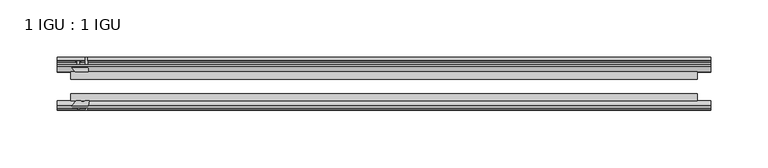
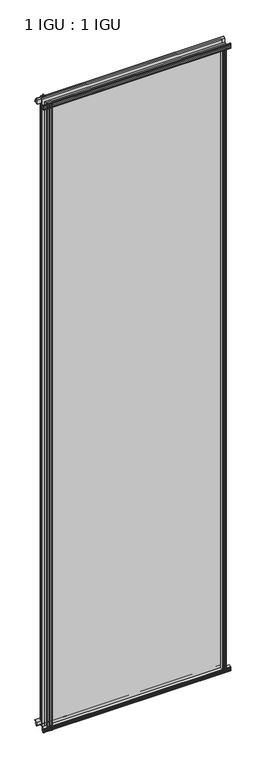
"""IFC4 building model written with IfcOpenShell, lengths in millimetres: plate geometry, 1 IGU : 1 IGU."""

import ifcopenshell
import ifcopenshell.guid

model = None  # the IFC model being written
_history = None  # IfcOwnerHistory: only IFC2X3 demands one
_inside = {}  # id of a spatial element -> (the spatial element, [elements in it])
_under = {}  # id of a project, library or spatial element -> (it, [spatial elements below it])
_declared = {}  # id of a project -> (the project, [libraries it declares])
_typed = {}  # id of a type object -> (the type object, [elements of that type])
_made_of = {}  # id of a material, layer set ... -> (it, [elements and type objects made of it])


def new_model(schema):
    """Start an empty IFC model of exactly this schema.

    Asked for "IFC4X3", IfcOpenShell would pick the latest addendum, in which some entities
    have other attributes; the version numbers below select the first issue.
    IFC2X3 requires an IfcOwnerHistory on every rooted entity: one is made here for all.
    """
    global model, _history
    if schema == "IFC4X3":
        model = ifcopenshell.file(schema_version=(4, 3, 0, 0))
    else:
        model = ifcopenshell.file(schema=schema)
    _inside.clear()
    _under.clear()
    _declared.clear()
    _typed.clear()
    _made_of.clear()
    _history = None
    if model.schema == "IFC2X3":
        org = make("IfcOrganization", Name="unknown")
        user = make(
            "IfcPersonAndOrganization",
            ThePerson=make("IfcPerson", FamilyName="unknown"),
            TheOrganization=org,
        )
        app = make(
            "IfcApplication",
            ApplicationDeveloper=org,
            Version="unknown",
            ApplicationFullName="unknown",
            ApplicationIdentifier="unknown",
        )
        _history = make(
            "IfcOwnerHistory",
            OwningUser=user,
            OwningApplication=app,
            ChangeAction="ADDED",
            CreationDate=0,
        )
    return model


def make(cls, **values):
    """One entity of the class cls with the attributes given. An attribute that is None is left unset."""
    return model.create_entity(
        cls, **{name: value for name, value in values.items() if value is not None}
    )


def rooted(cls, **values):
    """An entity with a GlobalId (a new one), such as an element, a storey or a relation."""
    return make(cls, GlobalId=ifcopenshell.guid.new(), OwnerHistory=_history, **values)


def si_unit(unit_type, name, prefix=None):
    """IfcSIUnit, for example si_unit("LENGTHUNIT", "METRE", prefix="MILLI")."""
    return make("IfcSIUnit", UnitType=unit_type, Prefix=prefix, Name=name)


def assignment(units):
    """IfcUnitAssignment: the units of a project."""
    return None if units is None else make("IfcUnitAssignment", Units=units)


def point(xyz):
    """IfcCartesianPoint."""
    return None if xyz is None else make("IfcCartesianPoint", Coordinates=xyz)


def direction(xyz):
    """IfcDirection."""
    return None if xyz is None else make("IfcDirection", DirectionRatios=xyz)


def frame(location, z_axis=None, x_axis=None):
    """IfcAxis2Placement3D, a coordinate frame: its origin and axes. An axis left out is left unset."""
    return make(
        "IfcAxis2Placement3D",
        Location=point(location),
        Axis=direction(z_axis),
        RefDirection=direction(x_axis),
    )


def frame_2d(location, x_axis=None):
    """IfcAxis2Placement2D, a coordinate frame in the plane: its origin and x axis."""
    return make(
        "IfcAxis2Placement2D", Location=point(location), RefDirection=direction(x_axis)
    )


def origin():
    """The frame at (0, 0, 0) with its axes left unset."""
    return frame((0.0, 0.0, 0.0))


def origin_with_axes():
    """The frame at (0, 0, 0) with the z axis (0, 0, 1) and the x axis (1, 0, 0) written out."""
    return frame((0.0, 0.0, 0.0), z_axis=(0.0, 0.0, 1.0), x_axis=(1.0, 0.0, 0.0))


def place(relative_to, where):
    """IfcLocalPlacement: puts the frame where relative to a parent placement (None: the world)."""
    return make(
        "IfcLocalPlacement", PlacementRelTo=relative_to, RelativePlacement=where
    )


def context(
    kind, dimensions, precision=None, world=None, true_north=None, identifier=None
):
    """IfcGeometricRepresentationContext, for example the 3D "Model" context."""
    return make(
        "IfcGeometricRepresentationContext",
        ContextIdentifier=identifier,
        ContextType=kind,
        CoordinateSpaceDimension=dimensions,
        Precision=precision,
        WorldCoordinateSystem=world,
        TrueNorth=true_north,
    )


def project(units=None, contexts=None):
    """IfcProject with its units and contexts."""
    return rooted(
        "IfcProject",
        Name="project",
        RepresentationContexts=contexts,
        UnitsInContext=assignment(units),
    )


def spatial(cls, under=None, at=None, **own):
    """A site, building, storey or space (cls), placed at a placement, below another one or the project."""
    s = rooted(cls, ObjectPlacement=at, **own)
    if under is not None:
        _under.setdefault(under.id(), (under, []))[1].append(s)
    return s


def polyline(points):
    """IfcPolyline through the points."""
    return make("IfcPolyline", Points=[point(p) for p in points])


def circle_curve(where, radius):
    """IfcCircle in the frame where."""
    return make("IfcCircle", Position=where, Radius=radius)


def trimmed(basis, trim1, trim2, sense, master):
    """IfcTrimmedCurve: the piece of a basis curve between two trims."""
    return make(
        "IfcTrimmedCurve",
        BasisCurve=basis,
        Trim1=trim1,
        Trim2=trim2,
        SenseAgreement=sense,
        MasterRepresentation=master,
    )


def segment(curve, same_sense, transition):
    """IfcCompositeCurveSegment."""
    return make(
        "IfcCompositeCurveSegment",
        Transition=transition,
        SameSense=same_sense,
        ParentCurve=curve,
    )


def composite_curve(segments, self_intersect=None):
    """IfcCompositeCurve: segments joined end to end."""
    return make("IfcCompositeCurve", Segments=segments, SelfIntersect=self_intersect)


def outline(outer, holes=None, kind="AREA"):
    """IfcArbitraryClosedProfileDef: a profile drawn as a closed curve; with holes, ...WithVoids."""
    if holes is None:
        return make("IfcArbitraryClosedProfileDef", ProfileType=kind, OuterCurve=outer)
    return make(
        "IfcArbitraryProfileDefWithVoids",
        ProfileType=kind,
        OuterCurve=outer,
        InnerCurves=holes,
    )


def extrude(swept, where, along, depth):
    """IfcExtrudedAreaSolid: the profile swept, set in the frame where, extruded along a direction by depth."""
    return make(
        "IfcExtrudedAreaSolid",
        SweptArea=swept,
        Position=where,
        ExtrudedDirection=direction(along),
        Depth=depth,
    )


def shape(context_of_items, identifier, shape_type, items):
    """IfcShapeRepresentation: the items that make up one representation, for example the "Body"."""
    return make(
        "IfcShapeRepresentation",
        ContextOfItems=context_of_items,
        RepresentationIdentifier=identifier,
        RepresentationType=shape_type,
        Items=items,
    )


def source(mapping_origin, context_of_items, identifier, shape_type, items):
    """IfcRepresentationMap: a shape defined once, which mapped items show again and again."""
    return make(
        "IfcRepresentationMap",
        MappingOrigin=mapping_origin,
        MappedRepresentation=shape(context_of_items, identifier, shape_type, items),
    )


def transform(
    local_origin,
    x_axis=None,
    y_axis=None,
    z_axis=None,
    scale=None,
    scale2=None,
    scale3=None,
    uniform=True,
):
    """IfcCartesianTransformationOperator3D, or its non-uniform kind. x_axis, y_axis, z_axis: its Axis1, 2, 3."""
    if uniform:
        return make(
            "IfcCartesianTransformationOperator3D",
            Axis1=direction(x_axis),
            Axis2=direction(y_axis),
            LocalOrigin=point(local_origin),
            Scale=scale,
            Axis3=direction(z_axis),
        )
    return make(
        "IfcCartesianTransformationOperator3DnonUniform",
        Axis1=direction(x_axis),
        Axis2=direction(y_axis),
        LocalOrigin=point(local_origin),
        Scale=scale,
        Axis3=direction(z_axis),
        Scale2=scale2,
        Scale3=scale3,
    )


def mapped(mapping_source, mapping_target):
    """IfcMappedItem: shows the shape of a source again, moved by a transform."""
    return make(
        "IfcMappedItem", MappingSource=mapping_source, MappingTarget=mapping_target
    )


def made_of(thing, what):
    """Note that an element or type object is made of a material, layer set ...; save() writes the relation."""
    if what is not None:
        _made_of.setdefault(what.id(), (what, []))[1].append(thing)
    return thing


def element(
    cls,
    number,
    at=None,
    inside=None,
    cuts=None,
    type_object=None,
    material=None,
    context=None,
    identifier="Body",
    shape_type=None,
    held_by="IfcProductDefinitionShape",
    body=None,
    shapes=None,
    **own,
):
    """One element of the class cls, such as IfcWall. Its Tag is "e" and its number.

    at: its placement. inside: the storey or other place that contains it. cuts: it is an
    opening in that element (IfcRelVoidsElement). A single representation is given by context,
    identifier, shape_type and body (its items); several are given by shapes. held_by: the class
    of the entity that holds the representations. save() writes the other relations.
    """
    e = rooted(cls, Tag="e%d" % number, ObjectPlacement=at, **own)
    if body is not None:
        shapes = [shape(context, identifier, shape_type, body)]
    if shapes is not None:
        e.Representation = make(held_by, Representations=shapes)
    if inside is not None:
        _inside.setdefault(inside.id(), (inside, []))[1].append(e)
    if cuts is not None:
        rooted(
            "IfcRelVoidsElement", RelatingBuildingElement=cuts, RelatedOpeningElement=e
        )
    if type_object is not None:
        _typed.setdefault(type_object.id(), (type_object, []))[1].append(e)
    return made_of(e, material)


def aggregate(whole, parts):
    """IfcRelAggregates: a whole, such as a stair, and the parts it consists of."""
    return rooted("IfcRelAggregates", RelatingObject=whole, RelatedObjects=parts)


def save(model, path):
    """Write the relations noted so far, then the file.

    IfcRelAggregates (storeys below a building ...), IfcRelContainedInSpatialStructure (elements
    in a storey), IfcRelDefinesByType, IfcRelAssociatesMaterial and IfcRelDeclares: one each for
    every whole, place, type object, material and project.
    """
    for whole, parts in _under.values():
        aggregate(whole, parts)
    for where, things in _inside.values():
        rooted(
            "IfcRelContainedInSpatialStructure",
            RelatedElements=things,
            RelatingStructure=where,
        )
    for kind, things in _typed.values():
        rooted("IfcRelDefinesByType", RelatedObjects=things, RelatingType=kind)
    for what, things in _made_of.values():
        rooted("IfcRelAssociatesMaterial", RelatedObjects=things, RelatingMaterial=what)
    for by, libraries in _declared.values():
        rooted("IfcRelDeclares", RelatingContext=by, RelatedDefinitions=libraries)
    model.write(path)


def plate_1_igu_1_igu_689b3fed(model_context):
    return source(origin(), model_context, "Body", "SweptSolid", [
        extrude(outline(polyline([(-24.9039062, 2.5763839), (-12.2039062, 1.5739665), (-12.2039062, 0.0), (-18.5539062, 0.0), (-18.5539062, -4.953), (-16.254502, -5.5691235), (-16.6301757, -4.1670901), (-15.7714677, -3.937), (-15.1249062, -6.35), (-15.7714677, -8.763), (-16.6301757, -8.5329099), (-16.254502, -7.1308765), (-18.5539062, -7.747), (-18.5539062, -12.7), (-20.5859062, -12.7), (-24.9039062, -9.1036931), (-24.9039062, 2.5763839)])), frame((-284.2256877, 0.0, 0.0), z_axis=(1.0, 0.0, 0.0), x_axis=(0.0, 1.0, 0.0)), (0.0, 0.0, 1.0), 570.1380942),
        extrude(outline(composite_curve([segment(polyline([(-58.2287402, 1.5687054), (-50.3039062, 3.0983599), (-50.3039062, -7.92383), (-54.4858806, -12.1058044)]), True, "CONTINUOUS"), segment(trimmed(circle_curve(frame_2d((-55.3839062, -11.2077788)), 1.27), [point((-54.4858806, -12.1058044))], [point((-56.6539062, -11.2077788))], False, "CARTESIAN"), True, "CONTINUOUS"), segment(polyline([(-56.6539062, -11.2077788), (-56.6539062, -8.0327788), (-58.1332022, -5.4488186), (-56.6539062, -5.1879788), (-56.6539062, 0.2222212), (-58.2287402, 0.0), (-58.2287402, 1.5687054)]), True, "CONTINUOUS")], self_intersect=False)), frame((-284.2256877, 0.0, 0.0), z_axis=(1.0, 0.0, 0.0), x_axis=(0.0, 1.0, 0.0)), (0.0, 0.0, 1.0), 570.1380942),
        extrude(outline(polyline([(-18.5539063, 2001.656525), (-16.254502, 2001.0404015), (-16.6301757, 2002.4424349), (-15.7714677, 2002.672525), (-15.1249063, 2000.259525), (-15.7714677, 1997.846525), (-16.6301757, 1998.0766151), (-16.254502, 1999.4786485), (-18.5539063, 1998.862525), (-18.5539063, 1993.909525), (-12.2039062, 1993.909525), (-12.2039062, 1992.3355585), (-24.9039063, 1991.3331411), (-24.9039063, 2003.0132181), (-20.5859063, 2006.609525), (-18.5539063, 2006.609525), (-18.5539063, 2001.656525)])), frame((-284.2256877, 0.0, 0.0), z_axis=(1.0, 0.0, 0.0), x_axis=(0.0, 1.0, 0.0)), (0.0, 0.0, 1.0), 570.1380942),
        extrude(outline(composite_curve([segment(polyline([(-50.3039063, 2001.833355), (-50.3039063, 1990.8111651), (-58.2287402, 1992.3408196), (-58.2287402, 1993.909525), (-56.6539063, 1993.6873038), (-56.6539063, 1999.0975038), (-58.1332023, 1999.3583436), (-56.6539063, 2001.9423038), (-56.6539063, 2005.1173038)]), True, "CONTINUOUS"), segment(trimmed(circle_curve(frame_2d((-55.3839063, 2005.1173038)), 1.27), [point((-56.6539063, 2005.1173038))], [point((-54.4858806, 2006.0153294))], False, "CARTESIAN"), True, "CONTINUOUS"), segment(polyline([(-54.4858806, 2006.0153294), (-50.3039063, 2001.833355)]), True, "CONTINUOUS")], self_intersect=False)), frame((-284.2256877, 0.0, 0.0), z_axis=(1.0, 0.0, 0.0), x_axis=(0.0, 1.0, 0.0)), (0.0, 0.0, 1.0), 570.1380942),
        extrude(outline(composite_curve([segment(polyline([(259.6195625, -57.3876965), (258.2522465, -50.3039063), (269.2744365, -50.3039063), (273.4564109, -54.4858806)]), True, "CONTINUOUS"), segment(trimmed(circle_curve(frame_2d((272.5583853, -55.3839062)), 1.27), [point((273.4564109, -54.4858806))], [point((272.5583853, -56.6539062))], False, "CARTESIAN"), True, "CONTINUOUS"), segment(polyline([(272.5583853, -56.6539062), (269.3833853, -56.6539063), (266.7994251, -58.1332023), (266.5385853, -56.6539063), (261.1283853, -56.6539063), (261.3506065, -58.2287402), (260.3862857, -58.2014026)]), True, "CONTINUOUS"), segment(trimmed(circle_curve(frame_2d((260.6203853, -57.2127402)), 1.016), [point((260.3862857, -58.2014026))], [point((259.6195625, -57.3876965))], False, "CARTESIAN"), True, "CONTINUOUS")], self_intersect=False)), origin_with_axes(), (0.0, 0.0, 1.0), 1994.3064),
        extrude(outline(polyline([(266.3036065, -18.5539062), (266.91973, -16.254502), (265.5176966, -16.6301757), (265.2876065, -15.7714677), (267.7006065, -15.1249062), (270.1136065, -15.7714677), (269.8835163, -16.6301757), (268.481483, -16.254502), (269.0976065, -18.5539062), (274.0506065, -18.5539063), (274.0506065, -20.5859063), (270.4542996, -24.9039063), (258.7742225, -24.9039063), (259.7766399, -12.2039062), (261.3506065, -12.2039062), (261.3506065, -18.5539062), (266.3036065, -18.5539062)])), origin_with_axes(), (0.0, 0.0, 1.0), 1994.3064),
        extrude(outline(composite_curve([segment(polyline([(-267.6966665, -56.6539062), (-270.8716665, -56.6539062)]), True, "CONTINUOUS"), segment(trimmed(circle_curve(frame_2d((-270.8716665, -55.3839062)), 1.27), [point((-270.8716665, -56.6539062))], [point((-271.7696921, -54.4858806))], False, "CARTESIAN"), True, "CONTINUOUS"), segment(polyline([(-271.7696921, -54.4858806), (-267.5877177, -50.3039062), (-263.9181723, -50.3039062)]), True, "CONTINUOUS"), segment(trimmed(circle_curve(frame_2d((-261.8546665, -46.3669062)), 4.445), [point((-263.9181723, -50.3039062))], [point((-259.7911608, -50.3039062))], True, "CARTESIAN"), True, "CONTINUOUS"), segment(polyline([(-259.7911608, -50.3039062), (-256.5655278, -50.3039062), (-258.0951823, -58.2287402), (-259.6638877, -58.2287402), (-259.4416665, -56.6539062), (-264.8518665, -56.6539062), (-265.1127063, -58.1332022), (-267.6966665, -56.6539062)]), True, "CONTINUOUS")], self_intersect=False)), frame((0.0, 0.0, -12.7), z_axis=(0.0, 0.0, 1.0), x_axis=(1.0, 0.0, 0.0)), (0.0, 0.0, 1.0), 2019.309525),
        extrude(outline(polyline([(-257.0875038, -24.9039062), (-268.7675808, -24.9039062), (-272.3638877, -20.5859062), (-272.3638877, -18.5539062), (-267.4108877, -18.5539062), (-266.7947642, -16.254502), (-268.1967976, -16.6301757), (-268.4268877, -15.7714677), (-266.0138877, -15.1249062), (-263.6008877, -15.7714677), (-263.8309778, -16.6301757), (-265.2330112, -16.254502), (-264.6168877, -18.5539062), (-259.6638877, -18.5539062), (-259.6638877, -12.2039062), (-258.0899212, -12.2039062), (-257.0875038, -24.9039062)])), frame((0.0, 0.0, -12.7), z_axis=(0.0, 0.0, 1.0), x_axis=(1.0, 0.0, 0.0)), (0.0, 0.0, 1.0), 2019.309525),
        extrude(outline(polyline([(274.0506065, -24.9039062), (274.0506065, -31.2031063), (-272.3638877, -31.2031063), (-272.3638877, -24.9039062), (274.0506065, -24.9039062)])), frame((0.0, 0.0, -12.7), z_axis=(0.0, 0.0, 1.0), x_axis=(1.0, 0.0, 0.0)), (0.0, 0.0, 1.0), 2019.309525),
        extrude(outline(polyline([(-272.3638877, -44.0047063), (274.0506065, -44.0047063), (274.0506065, -50.3039062), (-272.3638877, -50.3039062), (-272.3638877, -44.0047063)])), frame((0.0, 0.0, -12.7), z_axis=(0.0, 0.0, 1.0), x_axis=(1.0, 0.0, 0.0)), (0.0, 0.0, 1.0), 2019.309525),
    ])


if __name__ == "__main__":
    model = new_model("IFC4")
    model_context = context("Model", 3, world=origin())
    ifc_project = project(units=[si_unit("LENGTHUNIT", "METRE", prefix="MILLI")], contexts=[model_context])
    site = spatial("IfcSite", under=ifc_project)
    building = spatial("IfcBuilding", under=site)
    placement = place(None, origin())
    plate_1_igu_1_igu_shape = plate_1_igu_1_igu_689b3fed(model_context)
    element("IfcPlate", 1, ObjectType="1 IGU : 1 IGU", at=placement, inside=building, context=model_context, shape_type="MappedRepresentation", body=[
        mapped(plate_1_igu_1_igu_shape, transform((0.0, 0.0, 0.0), x_axis=(1.0, 0.0, 0.0), y_axis=(0.0, 1.0, 0.0), z_axis=(0.0, 0.0, 1.0))),
    ])
    save(model, "model.ifc")
